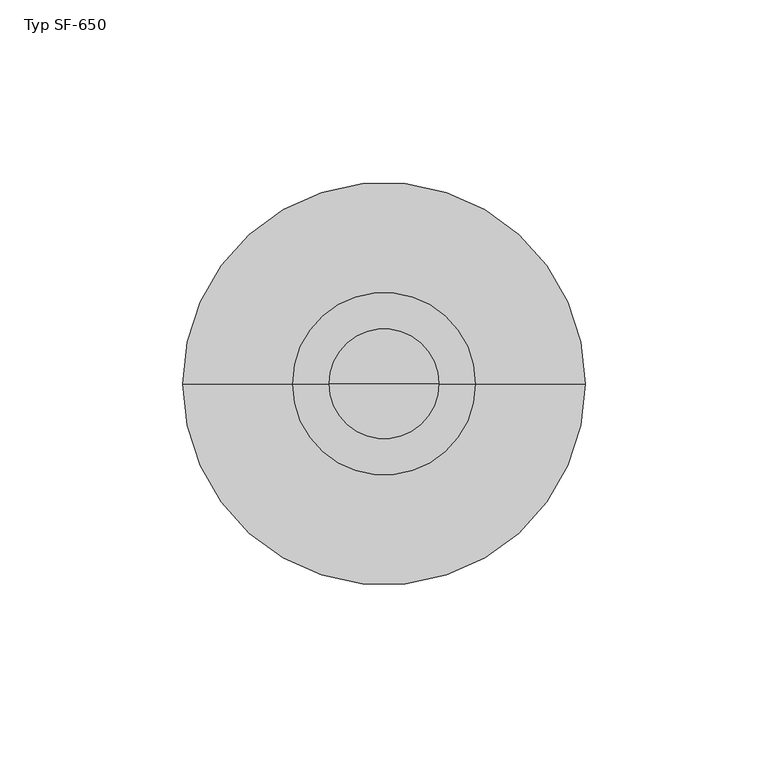
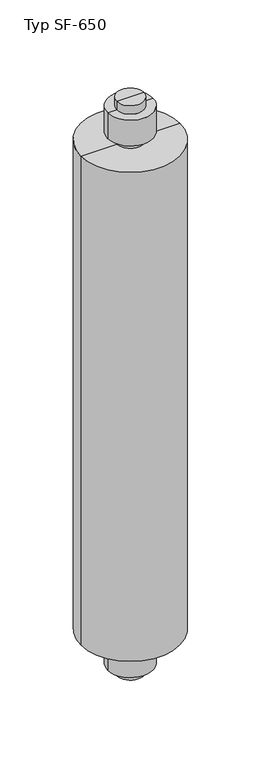
"""IFC4 building model written with IfcOpenShell, lengths in millimetres: proxy geometry, Typ SF-650."""

from ifc_helpers import new_model, si_unit, frame, origin, place, context, project, spatial, circle_curve, source, transform, mapped, element, save
from ifc_brep_helpers import plane_surface, cylinder_surface, advanced_brep


def typ_sf_650_bcff6696(model_context):
    return source(origin(), model_context, "Body", "AdvancedBrep", [
        advanced_brep(
        [(-968.5642624, -115.0, -309.0), (-938.5642624, -115.0, -309.0), (-953.5642624, -115.0, -309.0), (-968.5642624, -115.0, -299.0), (-938.5642624, -115.0, -299.0), (-978.5642624, -115.0, -299.0), (-928.5642624, -115.0, -299.0), (-978.5642624, -115.0, -269.0), (-928.5642624, -115.0, -269.0), (-968.5642624, -115.0, -269.0), (-938.5642624, -115.0, -269.0), (-968.5642624, -115.0, -259.0), (-938.5642624, -115.0, -259.0), (-1008.5642624, -115.0, -259.0), (-898.5642624, -115.0, -259.0), (-1008.5642624, -115.0, 314.0), (-898.5642624, -115.0, 314.0), (-968.5642624, -115.0, 314.0), (-938.5642624, -115.0, 314.0), (-968.5642624, -115.0, 324.0), (-938.5642624, -115.0, 324.0), (-978.5642624, -115.0, 324.0), (-928.5642624, -115.0, 324.0), (-978.5642624, -115.0, 354.0), (-928.5642624, -115.0, 354.0), (-968.5642624, -115.0, 354.0), (-938.5642624, -115.0, 354.0), (-968.5642624, -115.0, 364.0), (-938.5642624, -115.0, 364.0), (-953.5642624, -115.0, 364.0)],
        [
            (0, 1, circle_curve(frame((-953.5642624, -115.0, -309.0), z_axis=(0.0, 0.0, -1.0), x_axis=(1.0, 0.0, 0.0)), 15.0)),
            (1, 2),
            (2, 0),
            (1, 0, circle_curve(frame((-953.5642624, -115.0, -309.0), z_axis=(0.0, 0.0, -1.0), x_axis=(1.0, 0.0, 0.0)), 15.0)),
            (3, 4, circle_curve(frame((-953.5642624, -115.0, -299.0), z_axis=(0.0, 0.0, -1.0), x_axis=(1.0, 0.0, 0.0)), 15.0)),
            (4, 1),
            (0, 3),
            (4, 3, circle_curve(frame((-953.5642624, -115.0, -299.0), z_axis=(0.0, 0.0, -1.0), x_axis=(1.0, 0.0, 0.0)), 15.0)),
            (5, 6, circle_curve(frame((-953.5642624, -115.0, -299.0), z_axis=(0.0, 0.0, -1.0), x_axis=(1.0, 0.0, 0.0)), 25.0)),
            (6, 4),
            (3, 5),
            (6, 5, circle_curve(frame((-953.5642624, -115.0, -299.0), z_axis=(0.0, 0.0, -1.0), x_axis=(1.0, 0.0, 0.0)), 25.0)),
            (7, 8, circle_curve(frame((-953.5642624, -115.0, -269.0), z_axis=(0.0, 0.0, -1.0), x_axis=(1.0, 0.0, 0.0)), 25.0)),
            (8, 6),
            (5, 7),
            (8, 7, circle_curve(frame((-953.5642624, -115.0, -269.0), z_axis=(0.0, 0.0, -1.0), x_axis=(1.0, 0.0, 0.0)), 25.0)),
            (9, 10, circle_curve(frame((-953.5642624, -115.0, -269.0), z_axis=(0.0, 0.0, -1.0), x_axis=(1.0, 0.0, 0.0)), 15.0)),
            (10, 8),
            (7, 9),
            (10, 9, circle_curve(frame((-953.5642624, -115.0, -269.0), z_axis=(0.0, 0.0, -1.0), x_axis=(1.0, 0.0, 0.0)), 15.0)),
            (11, 12, circle_curve(frame((-953.5642624, -115.0, -259.0), z_axis=(0.0, 0.0, -1.0), x_axis=(1.0, 0.0, 0.0)), 15.0)),
            (12, 10),
            (9, 11),
            (12, 11, circle_curve(frame((-953.5642624, -115.0, -259.0), z_axis=(0.0, 0.0, -1.0), x_axis=(1.0, 0.0, 0.0)), 15.0)),
            (13, 14, circle_curve(frame((-953.5642624, -115.0, -259.0), z_axis=(0.0, 0.0, -1.0), x_axis=(1.0, 0.0, 0.0)), 55.0)),
            (14, 12),
            (11, 13),
            (14, 13, circle_curve(frame((-953.5642624, -115.0, -259.0), z_axis=(0.0, 0.0, -1.0), x_axis=(1.0, 0.0, 0.0)), 55.0)),
            (15, 16, circle_curve(frame((-953.5642624, -115.0, 314.0), z_axis=(0.0, 0.0, -1.0), x_axis=(1.0, 0.0, 0.0)), 55.0)),
            (16, 14),
            (13, 15),
            (16, 15, circle_curve(frame((-953.5642624, -115.0, 314.0), z_axis=(0.0, 0.0, -1.0), x_axis=(1.0, 0.0, 0.0)), 55.0)),
            (17, 18, circle_curve(frame((-953.5642624, -115.0, 314.0), z_axis=(0.0, 0.0, -1.0), x_axis=(1.0, 0.0, 0.0)), 15.0)),
            (18, 16),
            (15, 17),
            (18, 17, circle_curve(frame((-953.5642624, -115.0, 314.0), z_axis=(0.0, 0.0, -1.0), x_axis=(1.0, 0.0, 0.0)), 15.0)),
            (19, 20, circle_curve(frame((-953.5642624, -115.0, 324.0), z_axis=(0.0, 0.0, -1.0), x_axis=(1.0, 0.0, 0.0)), 15.0)),
            (20, 18),
            (17, 19),
            (20, 19, circle_curve(frame((-953.5642624, -115.0, 324.0), z_axis=(0.0, 0.0, -1.0), x_axis=(1.0, 0.0, 0.0)), 15.0)),
            (21, 22, circle_curve(frame((-953.5642624, -115.0, 324.0), z_axis=(0.0, 0.0, -1.0), x_axis=(1.0, 0.0, 0.0)), 25.0)),
            (22, 20),
            (19, 21),
            (22, 21, circle_curve(frame((-953.5642624, -115.0, 324.0), z_axis=(0.0, 0.0, -1.0), x_axis=(1.0, 0.0, 0.0)), 25.0)),
            (23, 24, circle_curve(frame((-953.5642624, -115.0, 354.0), z_axis=(0.0, 0.0, -1.0), x_axis=(1.0, 0.0, 0.0)), 25.0)),
            (24, 22),
            (21, 23),
            (24, 23, circle_curve(frame((-953.5642624, -115.0, 354.0), z_axis=(0.0, 0.0, -1.0), x_axis=(1.0, 0.0, 0.0)), 25.0)),
            (25, 26, circle_curve(frame((-953.5642624, -115.0, 354.0), z_axis=(0.0, 0.0, -1.0), x_axis=(1.0, 0.0, 0.0)), 15.0)),
            (26, 24),
            (23, 25),
            (26, 25, circle_curve(frame((-953.5642624, -115.0, 354.0), z_axis=(0.0, 0.0, -1.0), x_axis=(1.0, 0.0, 0.0)), 15.0)),
            (27, 28, circle_curve(frame((-953.5642624, -115.0, 364.0), z_axis=(0.0, 0.0, -1.0), x_axis=(1.0, 0.0, 0.0)), 15.0)),
            (28, 26),
            (25, 27),
            (28, 27, circle_curve(frame((-953.5642624, -115.0, 364.0), z_axis=(0.0, 0.0, -1.0), x_axis=(1.0, 0.0, 0.0)), 15.0)),
            (29, 28),
            (27, 29),
        ],
        [
            plane_surface(frame((-953.5642624, -115.0, -309.0), z_axis=(0.0, 0.0, -1.0), x_axis=(1.0, 0.0, 0.0))),
            cylinder_surface(frame((-953.5642624, -115.0, 186.6515795), z_axis=(0.0, 0.0, 1.0), x_axis=(1.0, 0.0, 0.0)), 15.0),
            plane_surface(frame((-953.5642624, -115.0, -299.0), z_axis=(0.0, 0.0, -1.0), x_axis=(1.0, 0.0, 0.0))),
            cylinder_surface(frame((-953.5642624, -115.0, 186.6515795), z_axis=(0.0, 0.0, 1.0), x_axis=(1.0, 0.0, 0.0)), 25.0),
            plane_surface(frame((-953.5642624, -115.0, -269.0), z_axis=(0.0, 0.0, 1.0), x_axis=(1.0, 0.0, 0.0))),
            plane_surface(frame((-953.5642624, -115.0, -259.0), z_axis=(0.0, 0.0, -1.0), x_axis=(1.0, 0.0, 0.0))),
            cylinder_surface(frame((-953.5642624, -115.0, 186.6515795), z_axis=(0.0, 0.0, 1.0), x_axis=(1.0, 0.0, 0.0)), 55.0),
            plane_surface(frame((-953.5642624, -115.0, 314.0), z_axis=(0.0, 0.0, 1.0), x_axis=(1.0, 0.0, 0.0))),
            plane_surface(frame((-953.5642624, -115.0, 324.0), z_axis=(0.0, 0.0, -1.0), x_axis=(1.0, 0.0, 0.0))),
            plane_surface(frame((-953.5642624, -115.0, 354.0), z_axis=(0.0, 0.0, 1.0), x_axis=(1.0, 0.0, 0.0))),
            plane_surface(frame((-953.5642624, -115.0, 364.0), z_axis=(0.0, 0.0, 1.0), x_axis=(1.0, 0.0, 0.0))),
        ],
        [
            (0, [[1, 2, 3]]),
            (0, [[4, -3, -2]]),
            (1, [[5, 6, -1, 7]]),
            (1, [[8, -7, -4, -6]]),
            (2, [[9, 10, -5, 11]]),
            (2, [[12, -11, -8, -10]]),
            (3, [[13, 14, -9, 15]]),
            (3, [[16, -15, -12, -14]]),
            (4, [[17, 18, -13, 19]]),
            (4, [[20, -19, -16, -18]]),
            (1, [[21, 22, -17, 23]]),
            (1, [[24, -23, -20, -22]]),
            (5, [[25, 26, -21, 27]]),
            (5, [[28, -27, -24, -26]]),
            (6, [[29, 30, -25, 31]]),
            (6, [[32, -31, -28, -30]]),
            (7, [[33, 34, -29, 35]]),
            (7, [[36, -35, -32, -34]]),
            (1, [[37, 38, -33, 39]]),
            (1, [[40, -39, -36, -38]]),
            (8, [[41, 42, -37, 43]]),
            (8, [[44, -43, -40, -42]]),
            (3, [[45, 46, -41, 47]]),
            (3, [[48, -47, -44, -46]]),
            (9, [[49, 50, -45, 51]]),
            (9, [[52, -51, -48, -50]]),
            (1, [[53, 54, -49, 55]]),
            (1, [[56, -55, -52, -54]]),
            (10, [[57, -53, 58]]),
            (10, [[-58, -56, -57]]),
        ],
    ),
    ])


if __name__ == "__main__":
    model = new_model("IFC4")
    model_context = context("Model", 3, world=origin())
    ifc_project = project(units=[si_unit("LENGTHUNIT", "METRE", prefix="MILLI")], contexts=[model_context])
    site = spatial("IfcSite", under=ifc_project)
    building = spatial("IfcBuilding", under=site)
    placement = place(None, origin())
    typ_sf_650_shape = typ_sf_650_bcff6696(model_context)
    element("IfcBuildingElementProxy", 1, Name="Typ SF-650", ObjectType="Typ SF-650", at=placement, inside=building, context=model_context, shape_type="MappedRepresentation", body=[
        mapped(typ_sf_650_shape, transform((0.0, 0.0, 0.0), x_axis=(1.0, 0.0, 0.0), y_axis=(0.0, 1.0, 0.0), z_axis=(0.0, 0.0, 1.0))),
    ])
    save(model, "model.ifc")
